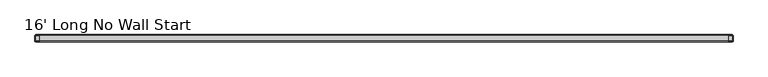
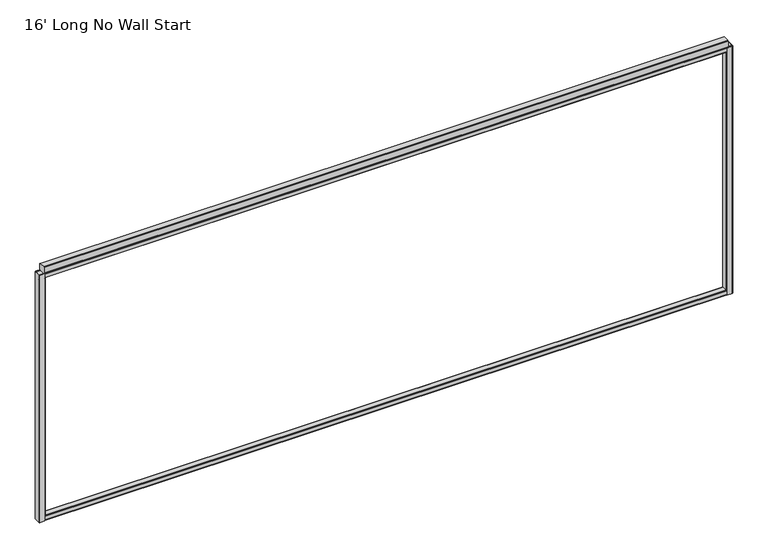
"""IFC4 building model written with IfcOpenShell, lengths in millimetres: furniture geometry, 16' Long No Wall Start."""

from ifc_helpers import new_model, si_unit, frame, origin, place, context, project, spatial, polyline, outline, extrude, faceted_brep, source, transform, mapped, element, save


def furniture_16_long_no_wall_start_335b61d3(model_context):
    return source(origin(), model_context, "Body", "SolidModel", [
        faceted_brep([(39.9542, 25.4, 1942.6682), (4.4958, 25.4, 1942.6682), (1.3167893, 24.0832107, 1942.6682), (0.0, 20.9042, 1942.6682), (0.0, -20.9042, 1942.6682), (1.3167893, -24.0832107, 1942.6682), (4.4958, -25.4, 1942.6682), (39.9542, -25.4, 1942.6682), (39.9542, -23.1181008, 1942.6682), (39.5348529, -23.2918, 1942.6682), (4.9151471, -23.2918, 1942.6682), (2.9303358, -22.4696642, 1942.6682), (2.1082, -20.4848529, 1942.6682), (2.1082, 20.4848529, 1942.6682), (2.9303358, 22.4696642, 1942.6682), (4.9151471, 23.2918, 1942.6682), (39.5348529, 23.2918, 1942.6682), (39.9542, 23.1181008, 1942.6682), (39.9542, -25.4, 103.7082), (4.4958, -25.4, 103.7082), (1.3167893, -24.0832107, 103.7082), (0.0, -20.9042, 103.7082), (0.0, 20.9042, 103.7082), (1.3167893, 24.0832107, 103.7082), (4.4958, 25.4, 103.7082), (39.9542, 25.4, 103.7082), (39.9542, 23.1181008, 103.7082), (39.5348529, 23.2918, 103.7082), (4.9151471, 23.2918, 103.7082), (2.9303358, 22.4696642, 103.7082), (2.1082, 20.4848529, 103.7082), (2.1082, -20.4848529, 103.7082), (2.9303358, -22.4696642, 103.7082), (4.9151471, -23.2918, 103.7082), (39.5348529, -23.2918, 103.7082), (39.9542, -23.1181008, 103.7082), (44.45, 20.9042, 1907.7432), (44.45, -20.9042, 1907.7432), (44.45, -20.9042, 138.6332), (44.45, 20.9042, 138.6332), (39.9542, -25.4, 138.6332), (39.9542, -25.4, 1907.7432), (39.9542, 25.4, 1907.7432), (39.9542, 25.4, 138.6332), (43.1332107, 24.0832107, 1907.7432), (43.1332107, 24.0832107, 138.6332), (43.1332107, -24.0832107, 1907.7432), (43.1332107, -24.0832107, 138.6332), (42.3418, -20.4848529, 1907.7432), (42.3418, 20.4848529, 1907.7432), (42.3418, 20.4848529, 138.6332), (42.3418, -20.4848529, 138.6332), (41.5196642, 22.4696642, 1907.7432), (41.5196642, 22.4696642, 138.6332), (39.9542, 23.1181008, 138.6332), (39.9542, 23.1181008, 1907.7432), (39.9542, -23.1181008, 1907.7432), (41.5196642, -22.4696642, 1907.7432), (41.5196642, -22.4696642, 138.6332), (39.9542, -23.1181008, 138.6332)], [[[0, 1, 2, 3, 4, 5, 6, 7, 8, 9, 10, 11, 12, 13, 14, 15, 16, 17]], [[18, 19, 20, 21, 22, 23, 24, 25, 26, 27, 28, 29, 30, 31, 32, 33, 34, 35]], [[36, 37, 38, 39]], [[7, 6, 19, 18, 40, 41]], [[4, 3, 22, 21]], [[1, 0, 42, 43, 25, 24]], [[42, 44, 45, 43]], [[44, 36, 39, 45]], [[37, 46, 47, 38]], [[46, 41, 40, 47]], [[6, 5, 20, 19]], [[5, 4, 21, 20]], [[3, 2, 23, 22]], [[2, 1, 24, 23]], [[48, 49, 50, 51]], [[49, 52, 53, 50]], [[16, 27, 26, 54, 53, 52, 55, 17]], [[16, 15, 28, 27]], [[15, 14, 29, 28]], [[14, 13, 30, 29]], [[13, 12, 31, 30]], [[12, 11, 32, 31]], [[11, 10, 33, 32]], [[10, 9, 34, 33]], [[34, 9, 8, 56, 57, 58, 59, 35]], [[57, 48, 51, 58]], [[42, 55, 52, 49, 48, 57, 56, 41, 46, 37, 36, 44]], [[55, 42, 0, 17]], [[41, 56, 8, 7]], [[54, 43, 45, 39, 38, 47, 40, 59, 58, 51, 50, 53]], [[43, 54, 26, 25]], [[59, 40, 18, 35]]]),
        faceted_brep([(4836.8458, -25.4, 1942.6682), (4872.3042, -25.4, 1942.6682), (4875.4832107, -24.0832107, 1942.6682), (4876.8, -20.9042, 1942.6682), (4876.8, 20.9042, 1942.6682), (4875.4832107, 24.0832107, 1942.6682), (4872.3042, 25.4, 1942.6682), (4836.8458, 25.4, 1942.6682), (4836.8458, 23.1181008, 1942.6682), (4837.2651471, 23.2918, 1942.6682), (4871.8848529, 23.2918, 1942.6682), (4873.8696642, 22.4696642, 1942.6682), (4874.6918, 20.4848529, 1942.6682), (4874.6918, -20.4848529, 1942.6682), (4873.8696642, -22.4696642, 1942.6682), (4871.8848529, -23.2918, 1942.6682), (4837.2651471, -23.2918, 1942.6682), (4836.8458, -23.1181008, 1942.6682), (4836.8458, 25.4, 103.7082), (4872.3042, 25.4, 103.7082), (4875.4832107, 24.0832107, 103.7082), (4876.8, 20.9042, 103.7082), (4876.8, -20.9042, 103.7082), (4875.4832107, -24.0832107, 103.7082), (4872.3042, -25.4, 103.7082), (4836.8458, -25.4, 103.7082), (4836.8458, -23.1181008, 103.7082), (4837.2651471, -23.2918, 103.7082), (4871.8848529, -23.2918, 103.7082), (4873.8696642, -22.4696642, 103.7082), (4874.6918, -20.4848529, 103.7082), (4874.6918, 20.4848529, 103.7082), (4873.8696642, 22.4696642, 103.7082), (4871.8848529, 23.2918, 103.7082), (4837.2651471, 23.2918, 103.7082), (4836.8458, 23.1181008, 103.7082), (4832.35, -20.9042, 1907.7432), (4832.35, 20.9042, 1907.7432), (4832.35, 20.9042, 138.6332), (4832.35, -20.9042, 138.6332), (4836.8458, -25.4, 1907.7432), (4836.8458, -25.4, 138.6332), (4836.8458, 25.4, 138.6332), (4836.8458, 25.4, 1907.7432), (4833.6667893, 24.0832107, 1907.7432), (4833.6667893, 24.0832107, 138.6332), (4833.6667893, -24.0832107, 1907.7432), (4833.6667893, -24.0832107, 138.6332), (4834.4582, 20.4848529, 1907.7432), (4834.4582, -20.4848529, 1907.7432), (4834.4582, -20.4848529, 138.6332), (4834.4582, 20.4848529, 138.6332), (4835.2803358, 22.4696642, 1907.7432), (4835.2803358, 22.4696642, 138.6332), (4836.8458, 23.1181008, 1907.7432), (4836.8458, 23.1181008, 138.6332), (4836.8458, -23.1181008, 138.6332), (4835.2803358, -22.4696642, 138.6332), (4835.2803358, -22.4696642, 1907.7432), (4836.8458, -23.1181008, 1907.7432)], [[[0, 1, 2, 3, 4, 5, 6, 7, 8, 9, 10, 11, 12, 13, 14, 15, 16, 17]], [[18, 19, 20, 21, 22, 23, 24, 25, 26, 27, 28, 29, 30, 31, 32, 33, 34, 35]], [[36, 37, 38, 39]], [[1, 0, 40, 41, 25, 24]], [[4, 3, 22, 21]], [[7, 6, 19, 18, 42, 43]], [[44, 43, 42, 45]], [[37, 44, 45, 38]], [[46, 36, 39, 47]], [[40, 46, 47, 41]], [[2, 1, 24, 23]], [[3, 2, 23, 22]], [[5, 4, 21, 20]], [[6, 5, 20, 19]], [[48, 49, 50, 51]], [[52, 48, 51, 53]], [[34, 9, 8, 54, 52, 53, 55, 35]], [[10, 9, 34, 33]], [[11, 10, 33, 32]], [[12, 11, 32, 31]], [[13, 12, 31, 30]], [[14, 13, 30, 29]], [[15, 14, 29, 28]], [[16, 15, 28, 27]], [[16, 27, 26, 56, 57, 58, 59, 17]], [[49, 58, 57, 50]], [[54, 43, 44, 37, 36, 46, 40, 59, 58, 49, 48, 52]], [[43, 54, 8, 7]], [[59, 40, 0, 17]], [[42, 55, 53, 51, 50, 57, 56, 41, 47, 39, 38, 45]], [[55, 42, 18, 35]], [[41, 56, 26, 25]]]),
        extrude(outline(polyline([(-18.7325958, 103.7082), (-21.884598, 105.013802), (-23.1902, 108.1658042), (-23.1902, 134.1755958), (-21.884598, 137.327598), (-18.7325958, 138.6332), (18.7325958, 138.6332), (21.884598, 137.327598), (23.1902, 134.1755958), (23.1902, 108.1658042), (21.884598, 105.013802), (18.7325958, 103.7082), (-18.7325958, 103.7082)]), holes=[polyline([(-18.3132488, 105.8164), (18.3132488, 105.8164), (20.2710515, 106.6273485), (21.082, 108.5851512), (21.082, 133.7562488), (20.2710515, 135.7140515), (18.3132488, 136.525), (-18.3132488, 136.525), (-20.2710515, 135.7140515), (-21.082, 133.7562488), (-21.082, 108.5851512), (-20.2710515, 106.6273485), (-18.3132488, 105.8164)])]), frame((2.1082, 0.0, 0.0), z_axis=(1.0, 0.0, 0.0), x_axis=(0.0, 1.0, 0.0)), (0.0, 0.0, 1.0), 4872.5836),
        extrude(outline(polyline([(-18.7325958, 1942.6682), (18.7325958, 1942.6682), (21.884598, 1941.362598), (23.1902, 1938.2105958), (23.1902, 1912.2008042), (21.884598, 1909.048802), (18.7325958, 1907.7432), (-18.7325958, 1907.7432), (-21.884598, 1909.048802), (-23.1902, 1912.2008042), (-23.1902, 1938.2105958), (-21.884598, 1941.362598), (-18.7325958, 1942.6682)]), holes=[polyline([(-18.3132488, 1940.56), (-20.2710515, 1939.7490515), (-21.082, 1937.7912488), (-21.082, 1912.6201512), (-20.2710515, 1910.6623485), (-18.3132488, 1909.8514), (18.3132488, 1909.8514), (20.2710515, 1910.6623485), (21.082, 1912.6201512), (21.082, 1937.7912488), (20.2710515, 1939.7490515), (18.3132488, 1940.56), (-18.3132488, 1940.56)])]), frame((2.1082, 0.0, 0.0), z_axis=(1.0, 0.0, 0.0), x_axis=(0.0, 1.0, 0.0)), (0.0, 0.0, 1.0), 4872.5836),
        extrude(outline(polyline([(19.908865, 1993.4682), (25.4, 1987.977065), (25.4, 1948.159335), (19.908865, 1942.6682), (-19.908865, 1942.6682), (-25.4, 1948.159335), (-25.4, 1987.977065), (-19.908865, 1993.4682), (19.908865, 1993.4682)])), frame((34.5948, 0.0, 0.0), z_axis=(1.0, 0.0, 0.0), x_axis=(0.0, 1.0, 0.0)), (0.0, 0.0, 1.0), 4807.6104),
    ])


if __name__ == "__main__":
    model = new_model("IFC4")
    model_context = context("Model", 3, world=origin())
    ifc_project = project(units=[si_unit("LENGTHUNIT", "METRE", prefix="MILLI")], contexts=[model_context])
    site = spatial("IfcSite", under=ifc_project)
    building = spatial("IfcBuilding", under=site)
    placement = place(None, origin())
    furniture_16_long_no_wall_start_shape = furniture_16_long_no_wall_start_335b61d3(model_context)
    element("IfcFurniture", 1, ObjectType="16' Long No Wall Start", at=placement, inside=building, context=model_context, shape_type="MappedRepresentation", body=[
        mapped(furniture_16_long_no_wall_start_shape, transform((0.0, 0.0, 0.0), x_axis=(1.0, 0.0, 0.0), y_axis=(0.0, 1.0, 0.0), z_axis=(0.0, 0.0, 1.0))),
    ])
    save(model, "model.ifc")
